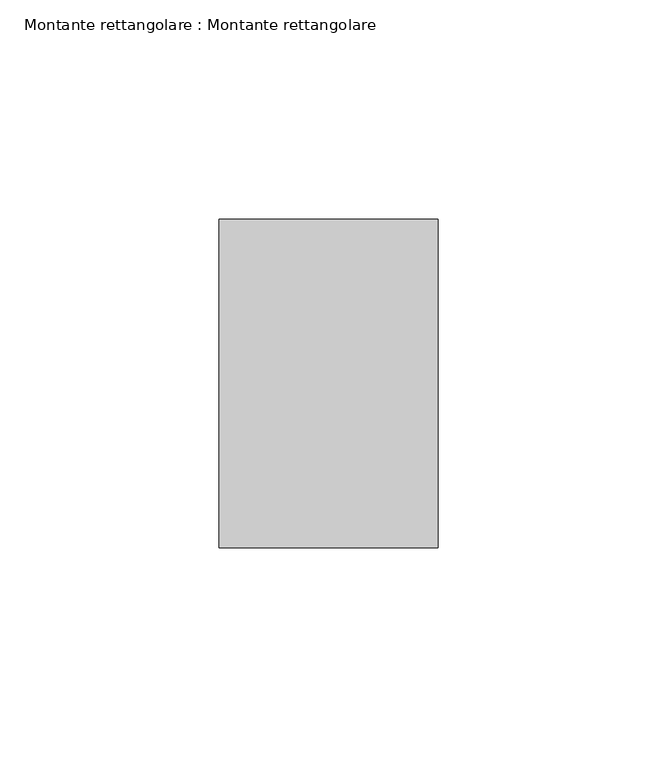
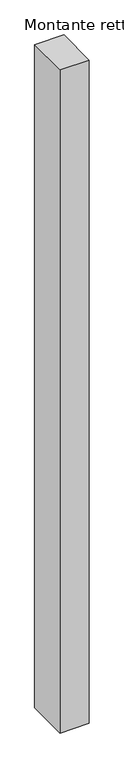
"""IFC4 building model written with IfcOpenShell, lengths in millimetres: member geometry, Montante rettangolare : Montante rettangolare."""

from ifc_helpers import new_model, si_unit, frame, origin, place, context, project, spatial, polyline, outline, extrude, source, transform, mapped, element, save


def montante_rettangolare_montante_rettangolare_fdda42bf(model_context):
    return source(origin(), model_context, "Body", "SweptSolid", [
        extrude(outline(polyline([(25.0, 37.5), (25.0, -37.5), (-25.0, -37.5), (-25.0, 37.5), (25.0, 37.5)])), frame((0.0, 0.0, -1200.2522503), z_axis=(0.0, 0.0, 1.0), x_axis=(1.0, 0.0, 0.0)), (0.0, 0.0, 1.0), 1200.2522503),
    ])


if __name__ == "__main__":
    model = new_model("IFC4")
    model_context = context("Model", 3, world=origin())
    ifc_project = project(units=[si_unit("LENGTHUNIT", "METRE", prefix="MILLI")], contexts=[model_context])
    site = spatial("IfcSite", under=ifc_project)
    building = spatial("IfcBuilding", under=site)
    placement = place(None, origin())
    montante_rettangolare_montante_rettangolare_shape = montante_rettangolare_montante_rettangolare_fdda42bf(model_context)
    element("IfcMember", 1, ObjectType="Montante rettangolare : Montante rettangolare", at=placement, inside=building, context=model_context, shape_type="MappedRepresentation", body=[
        mapped(montante_rettangolare_montante_rettangolare_shape, transform((0.0, 0.0, 0.0), x_axis=(1.0, 0.0, 0.0), y_axis=(0.0, 1.0, 0.0), z_axis=(0.0, 0.0, 1.0))),
    ])
    save(model, "model.ifc")
